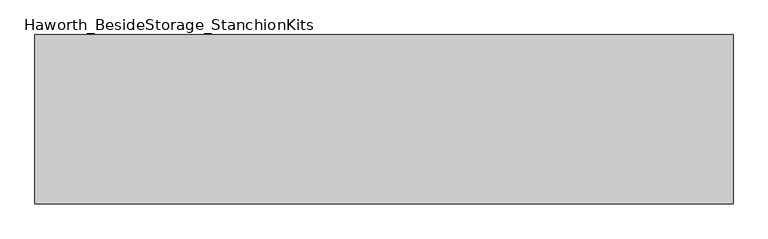
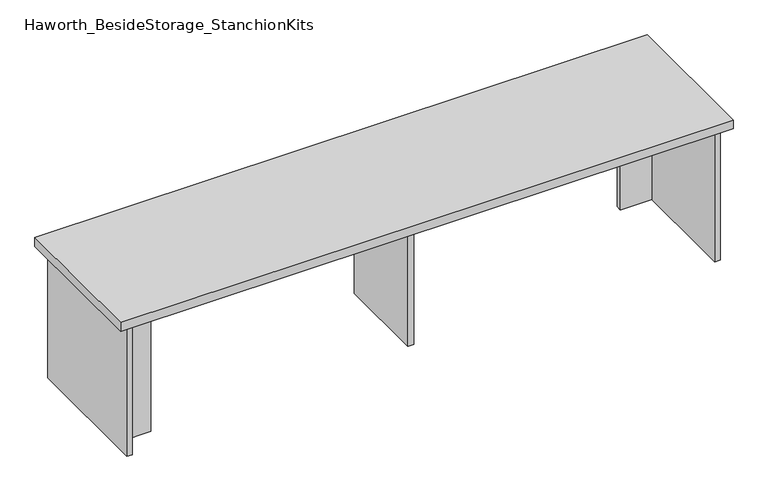
"""IFC4 building model written with IfcOpenShell, lengths in millimetres: furniture geometry, Haworth_BesideStorage_StanchionKits."""

from ifc_helpers import new_model, si_unit, frame, origin, place, context, project, spatial, polyline, outline, extrude, source, transform, mapped, element, save


def haworth_besidestorage_stanchionkits_0faee668(model_context):
    return source(origin(), model_context, "Body", "SweptSolid", [
        extrude(outline(polyline([(1000.125, 0.0), (1000.125, -406.4), (-676.275, -406.4), (-676.275, 0.0), (1000.125, 0.0)])), frame((0.0, 0.0, 812.8), z_axis=(0.0, 0.0, 1.0), x_axis=(1.0, 0.0, 0.0)), (0.0, 0.0, 1.0), 25.4),
        extrude(outline(polyline([(873.125, -76.2), (958.85, -76.2), (958.85, -92.075), (873.125, -92.075), (873.125, -76.2)])), frame((0.0, 0.0, 431.8), z_axis=(0.0, 0.0, 1.0), x_axis=(1.0, 0.0, 0.0)), (0.0, 0.0, 1.0), 381.0),
        extrude(outline(polyline([(-549.275, -314.325), (-549.275, -330.2), (-635.0, -330.2), (-635.0, -314.325), (-549.275, -314.325)])), frame((0.0, 0.0, 431.8), z_axis=(0.0, 0.0, 1.0), x_axis=(1.0, 0.0, 0.0)), (0.0, 0.0, 1.0), 381.0),
        extrude(outline(polyline([(169.8625, -330.2), (153.9875, -330.2), (153.9875, -76.2), (169.8625, -76.2), (169.8625, -330.2)])), frame((0.0, 0.0, 431.8), z_axis=(0.0, 0.0, 1.0), x_axis=(1.0, 0.0, 0.0)), (0.0, 0.0, 1.0), 381.0),
        extrude(outline(polyline([(974.725, -390.525), (958.85, -390.525), (958.85, -15.875), (974.725, -15.875), (974.725, -390.525)])), frame((0.0, 0.0, 431.8), z_axis=(0.0, 0.0, 1.0), x_axis=(1.0, 0.0, 0.0)), (0.0, 0.0, 1.0), 381.0),
        extrude(outline(polyline([(-635.0, -390.525), (-650.875, -390.525), (-650.875, -15.875), (-635.0, -15.875), (-635.0, -390.525)])), frame((0.0, 0.0, 431.8), z_axis=(0.0, 0.0, 1.0), x_axis=(1.0, 0.0, 0.0)), (0.0, 0.0, 1.0), 381.0),
    ])


if __name__ == "__main__":
    model = new_model("IFC4")
    model_context = context("Model", 3, world=origin())
    ifc_project = project(units=[si_unit("LENGTHUNIT", "METRE", prefix="MILLI")], contexts=[model_context])
    site = spatial("IfcSite", under=ifc_project)
    building = spatial("IfcBuilding", under=site)
    placement = place(None, origin())
    haworth_besidestorage_stanchionkits_shape = haworth_besidestorage_stanchionkits_0faee668(model_context)
    element("IfcFurniture", 1, ObjectType="Haworth_BesideStorage_StanchionKits", at=placement, inside=building, context=model_context, shape_type="MappedRepresentation", body=[
        mapped(haworth_besidestorage_stanchionkits_shape, transform((0.0, 0.0, 0.0), x_axis=(1.0, 0.0, 0.0), y_axis=(0.0, 1.0, 0.0), z_axis=(0.0, 0.0, 1.0))),
    ])
    save(model, "model.ifc")
